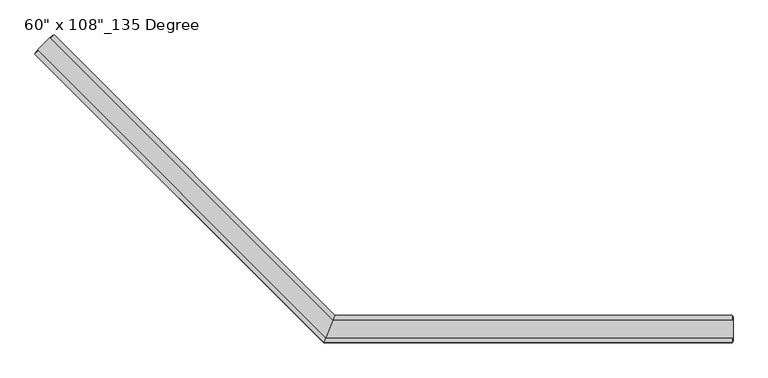
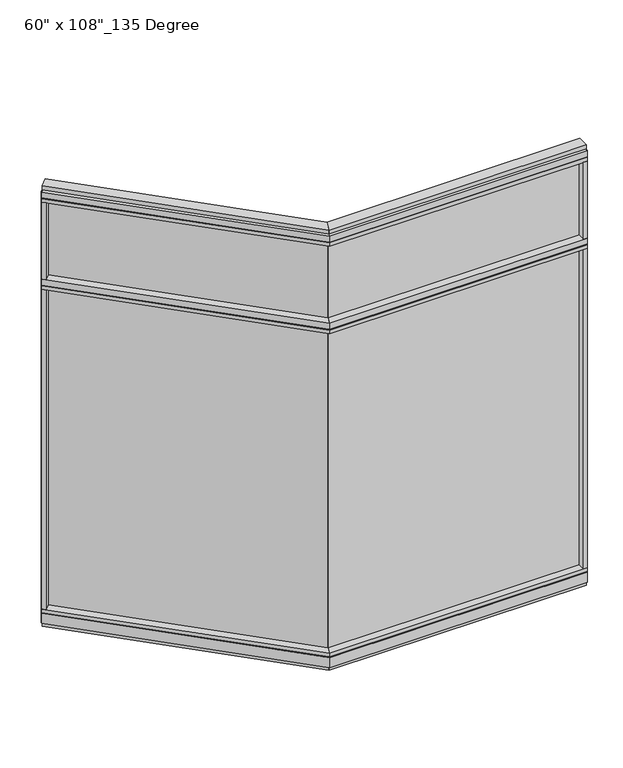
"""IFC4 building model written with IfcOpenShell, lengths in millimetres: furniture geometry."""

from ifc_helpers import new_model, si_unit, frame, origin, origin_with_axes, place, context, project, spatial, polyline, outline, extrude, faceted_brep, source, transform, mapped, element, save


def furniture_f0c42200(model_context):
    return source(origin(), model_context, "Body", "SolidModel", [
        extrude(outline(polyline([(-1848.8390078, 1036.1426073), (-1841.6548029, 1043.3268122), (-795.9937802, -2.3342105), (-803.1779851, -9.5184154), (-1848.8390078, 1036.1426073)])), frame((0.0, 0.0, 2174.875), z_axis=(0.0, 0.0, 1.0), x_axis=(1.0, 0.0, 0.0)), (0.0, 0.0, 1.0), 457.2),
        extrude(outline(polyline([(-1848.8390078, 1036.1426073), (-1841.6548029, 1043.3268122), (-795.9937802, -2.3342105), (-803.1779851, -9.5184154), (-1848.8390078, 1036.1426073)])), frame((0.0, 0.0, 120.523), z_axis=(0.0, 0.0, 1.0), x_axis=(1.0, 0.0, 0.0)), (0.0, 0.0, 1.0), 2013.077),
        extrude(outline(polyline([(-1825.0413291, 1091.3711825), (-779.952425, 46.2822784), (-822.0365229, -55.3177216), (-1896.8833781, 1019.5291335), (-1825.0413291, 1091.3711825)])), frame((0.0, 0.0, 2111.375), z_axis=(0.0, 0.0, 1.0), x_axis=(1.0, 0.0, 0.0)), (0.0, 0.0, 1.0), 22.225),
        faceted_brep([(-779.952425, 46.2822784, 2138.553), (-779.952425, 46.2822784, 2174.875), (-822.0365229, -55.3177216, 2174.875), (-822.0365229, -55.3177216, 2138.553), (-819.9849232, -50.3647216, 2138.553), (-819.9849232, -50.3647216, 2133.6), (-782.0040248, 41.3292784, 2133.6), (-782.0040248, 41.3292784, 2138.553), (-1825.0413291, 1091.3711825, 2138.553), (-1828.543629, 1087.8688826, 2138.553), (-1828.543629, 1087.8688826, 2133.6), (-1893.3810782, 1023.0314334, 2133.6), (-1893.3810782, 1023.0314334, 2138.553), (-1896.8833781, 1019.5291335, 2138.553), (-1896.8833781, 1019.5291335, 2174.875), (-1825.0413291, 1091.3711825, 2174.875)], [[[0, 1, 2, 3, 4, 5, 6, 7]], [[8, 9, 10, 11, 12, 13, 14, 15]], [[8, 0, 7, 9]], [[13, 3, 2, 14]], [[14, 2, 1, 15]], [[15, 1, 0, 8]], [[9, 7, 6, 10]], [[10, 6, 5, 11]], [[11, 5, 4, 12]], [[12, 4, 3, 13]]]),
        extrude(outline(polyline([(-1881.1679299, 1003.8136853), (-1896.8833781, 1019.5291335), (-1825.0413291, 1091.3711825), (-1809.3258809, 1075.6557343), (-1881.1679299, 1003.8136853)])), frame((0.0, 0.0, 2174.875), z_axis=(0.0, 0.0, 1.0), x_axis=(1.0, 0.0, 0.0)), (0.0, 0.0, 1.0), 479.425),
        extrude(outline(polyline([(-1825.0413291, 1091.3711825), (-779.952425, 46.2822784), (-822.0365229, -55.3177216), (-1896.8833781, 1019.5291335), (-1825.0413291, 1091.3711825)])), frame((0.0, 0.0, 2654.3), z_axis=(0.0, 0.0, 1.0), x_axis=(1.0, 0.0, 0.0)), (0.0, 0.0, 1.0), 22.225),
        faceted_brep([(-779.952425, 46.2822784, 2681.478), (-779.952425, 46.2822784, 2717.8), (-822.0365229, -55.3177216, 2717.8), (-822.0365229, -55.3177216, 2681.478), (-819.9849232, -50.3647216, 2681.478), (-819.9849232, -50.3647216, 2676.525), (-782.0040248, 41.3292784, 2676.525), (-782.0040248, 41.3292784, 2681.478), (-1825.0413291, 1091.3711825, 2681.478), (-1828.543629, 1087.8688826, 2681.478), (-1828.543629, 1087.8688826, 2676.525), (-1893.3810782, 1023.0314334, 2676.525), (-1893.3810782, 1023.0314334, 2681.478), (-1896.8833781, 1019.5291335, 2681.478), (-1896.8833781, 1019.5291335, 2717.8), (-1825.0413291, 1091.3711825, 2717.8)], [[[0, 1, 2, 3, 4, 5, 6, 7]], [[8, 9, 10, 11, 12, 13, 14, 15]], [[8, 0, 7, 9]], [[13, 3, 2, 14]], [[14, 2, 1, 15]], [[15, 1, 0, 8]], [[9, 7, 6, 10]], [[10, 6, 5, 11]], [[11, 5, 4, 12]], [[12, 4, 3, 13]]]),
        extrude(outline(polyline([(-1840.7567773, 1081.2234931), (-787.5275626, 27.9942784), (-814.4613853, -37.0297216), (-1886.7356887, 1035.2445817), (-1840.7567773, 1081.2234931)])), frame((0.0, 0.0, 2717.8), z_axis=(0.0, 0.0, 1.0), x_axis=(1.0, 0.0, 0.0)), (0.0, 0.0, 1.0), 25.4),
        faceted_brep([(-782.0040248, 41.3292784, 93.345), (-782.0040248, 41.3292784, 98.298), (-819.9849232, -50.3647216, 98.298), (-819.9849232, -50.3647216, 93.345), (-822.0365229, -55.3177216, 93.345), (-822.0365229, -55.3177216, 31.75), (-779.952425, 46.2822784, 31.75), (-779.952425, 46.2822784, 93.345), (-1825.0413291, 1091.3711825, 93.345), (-1825.0413291, 1091.3711825, 31.75), (-1896.8833781, 1019.5291335, 31.75), (-1896.8833781, 1019.5291335, 93.345), (-1893.3810782, 1023.0314334, 93.345), (-1893.3810782, 1023.0314334, 98.298), (-1828.543629, 1087.8688826, 98.298), (-1828.543629, 1087.8688826, 93.345)], [[[0, 1, 2, 3, 4, 5, 6, 7]], [[8, 9, 10, 11, 12, 13, 14, 15]], [[15, 0, 7, 8]], [[10, 5, 4, 11]], [[9, 6, 5, 10]], [[8, 7, 6, 9]], [[14, 1, 0, 15]], [[13, 2, 1, 14]], [[12, 3, 2, 13]], [[11, 4, 3, 12]]]),
        extrude(outline(polyline([(-1825.0413291, 1091.3711825), (-779.952425, 46.2822784), (-822.0365229, -55.3177216), (-1896.8833781, 1019.5291335), (-1825.0413291, 1091.3711825)])), frame((0.0, 0.0, 98.298), z_axis=(0.0, 0.0, 1.0), x_axis=(1.0, 0.0, 0.0)), (0.0, 0.0, 1.0), 22.225),
        extrude(outline(polyline([(-1840.7567773, 1081.2234931), (-787.5275626, 27.9942784), (-814.4613853, -37.0297216), (-1886.7356887, 1035.2445817), (-1840.7567773, 1081.2234931)])), origin_with_axes(), (0.0, 0.0, 1.0), 31.75),
        extrude(outline(polyline([(-1881.1679299, 1003.8136853), (-1896.8833781, 1019.5291335), (-1825.0413291, 1091.3711825), (-1809.3258809, 1075.6557343), (-1881.1679299, 1003.8136853)])), frame((0.0, 0.0, 120.523), z_axis=(0.0, 0.0, 1.0), x_axis=(1.0, 0.0, 0.0)), (0.0, 0.0, 1.0), 1990.852),
        extrude(outline(polyline([(-1896.1649576, 1025.8153128), (-1831.3275084, 1090.652762), (-1828.543629, 1087.8688826), (-1893.3810782, 1023.0314334), (-1896.1649576, 1025.8153128)])), frame((0.0, 0.0, 31.75), z_axis=(0.0, 0.0, 1.0), x_axis=(1.0, 0.0, 0.0)), (0.0, 0.0, 1.0), 2686.05),
        extrude(outline(polyline([(675.8014771, -9.5977216), (-802.9865229, -9.5977216), (-802.9865229, 0.5622784), (675.8014771, 0.5622784), (675.8014771, -9.5977216)])), frame((0.0, 0.0, 2174.875), z_axis=(0.0, 0.0, 1.0), x_axis=(1.0, 0.0, 0.0)), (0.0, 0.0, 1.0), 457.2),
        extrude(outline(polyline([(675.8014771, -9.5977216), (-802.9865229, -9.5977216), (-802.9865229, 0.5622784), (675.8014771, 0.5622784), (675.8014771, -9.5977216)])), frame((0.0, 0.0, 120.523), z_axis=(0.0, 0.0, 1.0), x_axis=(1.0, 0.0, 0.0)), (0.0, 0.0, 1.0), 2013.077),
        extrude(outline(polyline([(698.0264771, 46.2822784), (698.0264771, -55.3177216), (-822.0365229, -55.3177216), (-779.952425, 46.2822784), (698.0264771, 46.2822784)])), frame((0.0, 0.0, 2111.375), z_axis=(0.0, 0.0, 1.0), x_axis=(1.0, 0.0, 0.0)), (0.0, 0.0, 1.0), 22.225),
        faceted_brep([(-779.952425, 46.2822784, 2138.553), (-782.0040248, 41.3292784, 2138.553), (-782.0040248, 41.3292784, 2133.6), (-819.9849232, -50.3647216, 2133.6), (-819.9849232, -50.3647216, 2138.553), (-822.0365229, -55.3177216, 2138.553), (-822.0365229, -55.3177216, 2174.875), (-779.952425, 46.2822784, 2174.875), (698.0264771, 46.2822784, 2138.553), (698.0264771, 46.2822784, 2174.875), (698.0264771, -55.3177216, 2174.875), (698.0264771, -55.3177216, 2138.553), (698.0264771, -50.3647216, 2138.553), (698.0264771, -50.3647216, 2133.6), (698.0264771, 41.3292784, 2133.6), (698.0264771, 41.3292784, 2138.553)], [[[0, 1, 2, 3, 4, 5, 6, 7]], [[8, 9, 10, 11, 12, 13, 14, 15]], [[8, 15, 1, 0]], [[11, 10, 6, 5]], [[10, 9, 7, 6]], [[9, 8, 0, 7]], [[15, 14, 2, 1]], [[14, 13, 3, 2]], [[13, 12, 4, 3]], [[12, 11, 5, 4]]]),
        extrude(outline(polyline([(675.8014771, -55.3177216), (675.8014771, 46.2822784), (698.0264771, 46.2822784), (698.0264771, -55.3177216), (675.8014771, -55.3177216)])), frame((0.0, 0.0, 2174.875), z_axis=(0.0, 0.0, 1.0), x_axis=(1.0, 0.0, 0.0)), (0.0, 0.0, 1.0), 479.425),
        extrude(outline(polyline([(698.0264771, 46.2822784), (698.0264771, -55.3177216), (-822.0365229, -55.3177216), (-779.952425, 46.2822784), (698.0264771, 46.2822784)])), frame((0.0, 0.0, 2654.3), z_axis=(0.0, 0.0, 1.0), x_axis=(1.0, 0.0, 0.0)), (0.0, 0.0, 1.0), 22.225),
        faceted_brep([(-779.952425, 46.2822784, 2681.478), (-782.0040248, 41.3292784, 2681.478), (-782.0040248, 41.3292784, 2676.525), (-819.9849232, -50.3647216, 2676.525), (-819.9849232, -50.3647216, 2681.478), (-822.0365229, -55.3177216, 2681.478), (-822.0365229, -55.3177216, 2717.8), (-779.952425, 46.2822784, 2717.8), (698.0264771, 46.2822784, 2681.478), (698.0264771, 46.2822784, 2717.8), (698.0264771, -55.3177216, 2717.8), (698.0264771, -55.3177216, 2681.478), (698.0264771, -50.3647216, 2681.478), (698.0264771, -50.3647216, 2676.525), (698.0264771, 41.3292784, 2676.525), (698.0264771, 41.3292784, 2681.478)], [[[0, 1, 2, 3, 4, 5, 6, 7]], [[8, 9, 10, 11, 12, 13, 14, 15]], [[8, 15, 1, 0]], [[11, 10, 6, 5]], [[10, 9, 7, 6]], [[9, 8, 0, 7]], [[15, 14, 2, 1]], [[14, 13, 3, 2]], [[13, 12, 4, 3]], [[12, 11, 5, 4]]]),
        extrude(outline(polyline([(701.9634771, 27.9942784), (701.9634771, -37.0297216), (-814.4613853, -37.0297216), (-787.5275626, 27.9942784), (701.9634771, 27.9942784)])), frame((0.0, 0.0, 2717.8), z_axis=(0.0, 0.0, 1.0), x_axis=(1.0, 0.0, 0.0)), (0.0, 0.0, 1.0), 25.4),
        faceted_brep([(-782.0040248, 41.3292784, 93.345), (-779.952425, 46.2822784, 93.345), (-779.952425, 46.2822784, 31.75), (-822.0365229, -55.3177216, 31.75), (-822.0365229, -55.3177216, 93.345), (-819.9849232, -50.3647216, 93.345), (-819.9849232, -50.3647216, 98.298), (-782.0040248, 41.3292784, 98.298), (698.0264771, 46.2822784, 93.345), (698.0264771, 41.3292784, 93.345), (698.0264771, 41.3292784, 98.298), (698.0264771, -50.3647216, 98.298), (698.0264771, -50.3647216, 93.345), (698.0264771, -55.3177216, 93.345), (698.0264771, -55.3177216, 31.75), (698.0264771, 46.2822784, 31.75)], [[[0, 1, 2, 3, 4, 5, 6, 7]], [[8, 9, 10, 11, 12, 13, 14, 15]], [[9, 8, 1, 0]], [[14, 13, 4, 3]], [[15, 14, 3, 2]], [[8, 15, 2, 1]], [[10, 9, 0, 7]], [[11, 10, 7, 6]], [[12, 11, 6, 5]], [[13, 12, 5, 4]]]),
        extrude(outline(polyline([(698.0264771, 46.2822784), (698.0264771, -55.3177216), (-822.0365229, -55.3177216), (-779.952425, 46.2822784), (698.0264771, 46.2822784)])), frame((0.0, 0.0, 98.298), z_axis=(0.0, 0.0, 1.0), x_axis=(1.0, 0.0, 0.0)), (0.0, 0.0, 1.0), 22.225),
        extrude(outline(polyline([(701.9634771, 27.9942784), (701.9634771, -37.0297216), (-814.4613853, -37.0297216), (-787.5275626, 27.9942784), (701.9634771, 27.9942784)])), origin_with_axes(), (0.0, 0.0, 1.0), 31.75),
        extrude(outline(polyline([(675.8014771, -55.3177216), (675.8014771, 46.2822784), (698.0264771, 46.2822784), (698.0264771, -55.3177216), (675.8014771, -55.3177216)])), frame((0.0, 0.0, 120.523), z_axis=(0.0, 0.0, 1.0), x_axis=(1.0, 0.0, 0.0)), (0.0, 0.0, 1.0), 1990.852),
        extrude(outline(polyline([(701.9634771, -50.3647216), (698.0264771, -50.3647216), (698.0264771, 41.3292784), (701.9634771, 41.3292784), (701.9634771, -50.3647216)])), frame((0.0, 0.0, 31.75), z_axis=(0.0, 0.0, 1.0), x_axis=(1.0, 0.0, 0.0)), (0.0, 0.0, 1.0), 2686.05),
    ])


if __name__ == "__main__":
    model = new_model("IFC4")
    model_context = context("Model", 3, world=origin())
    ifc_project = project(units=[si_unit("LENGTHUNIT", "METRE", prefix="MILLI")], contexts=[model_context])
    site = spatial("IfcSite", under=ifc_project)
    building = spatial("IfcBuilding", under=site)
    placement = place(None, origin())
    furniture_shape = furniture_f0c42200(model_context)
    element("IfcFurniture", 1, ObjectType="60\" x 108\"_135 Degree", at=placement, inside=building, context=model_context, shape_type="MappedRepresentation", body=[
        mapped(furniture_shape, transform((0.0, 0.0, 0.0), x_axis=(1.0, 0.0, 0.0), y_axis=(0.0, 1.0, 0.0), z_axis=(0.0, 0.0, 1.0))),
    ])
    save(model, "model.ifc")
